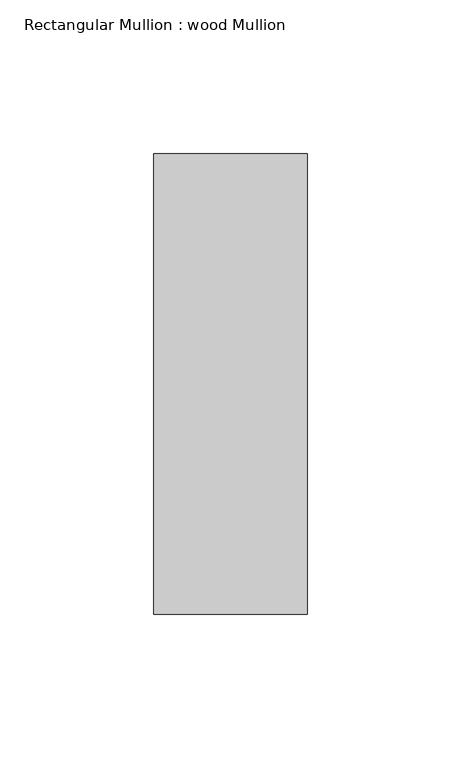
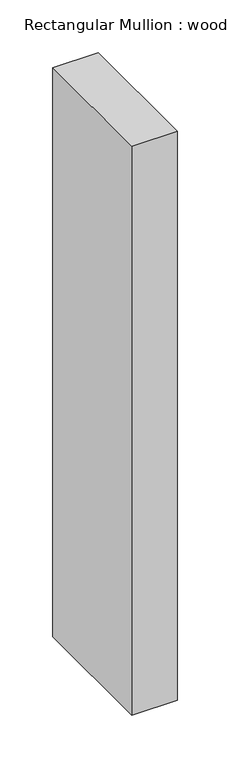
"""IFC4 building model written with IfcOpenShell, lengths in millimetres: member geometry, Rectangular Mullion : wood Mullion."""

import ifcopenshell
import ifcopenshell.guid

model = None  # the IFC model being written
_history = None  # IfcOwnerHistory: only IFC2X3 demands one
_inside = {}  # id of a spatial element -> (the spatial element, [elements in it])
_under = {}  # id of a project, library or spatial element -> (it, [spatial elements below it])
_declared = {}  # id of a project -> (the project, [libraries it declares])
_typed = {}  # id of a type object -> (the type object, [elements of that type])
_made_of = {}  # id of a material, layer set ... -> (it, [elements and type objects made of it])


def new_model(schema):
    """Start an empty IFC model of exactly this schema.

    Asked for "IFC4X3", IfcOpenShell would pick the latest addendum, in which some entities
    have other attributes; the version numbers below select the first issue.
    IFC2X3 requires an IfcOwnerHistory on every rooted entity: one is made here for all.
    """
    global model, _history
    if schema == "IFC4X3":
        model = ifcopenshell.file(schema_version=(4, 3, 0, 0))
    else:
        model = ifcopenshell.file(schema=schema)
    _inside.clear()
    _under.clear()
    _declared.clear()
    _typed.clear()
    _made_of.clear()
    _history = None
    if model.schema == "IFC2X3":
        org = make("IfcOrganization", Name="unknown")
        user = make(
            "IfcPersonAndOrganization",
            ThePerson=make("IfcPerson", FamilyName="unknown"),
            TheOrganization=org,
        )
        app = make(
            "IfcApplication",
            ApplicationDeveloper=org,
            Version="unknown",
            ApplicationFullName="unknown",
            ApplicationIdentifier="unknown",
        )
        _history = make(
            "IfcOwnerHistory",
            OwningUser=user,
            OwningApplication=app,
            ChangeAction="ADDED",
            CreationDate=0,
        )
    return model


def make(cls, **values):
    """One entity of the class cls with the attributes given. An attribute that is None is left unset."""
    return model.create_entity(
        cls, **{name: value for name, value in values.items() if value is not None}
    )


def rooted(cls, **values):
    """An entity with a GlobalId (a new one), such as an element, a storey or a relation."""
    return make(cls, GlobalId=ifcopenshell.guid.new(), OwnerHistory=_history, **values)


def si_unit(unit_type, name, prefix=None):
    """IfcSIUnit, for example si_unit("LENGTHUNIT", "METRE", prefix="MILLI")."""
    return make("IfcSIUnit", UnitType=unit_type, Prefix=prefix, Name=name)


def assignment(units):
    """IfcUnitAssignment: the units of a project."""
    return None if units is None else make("IfcUnitAssignment", Units=units)


def point(xyz):
    """IfcCartesianPoint."""
    return None if xyz is None else make("IfcCartesianPoint", Coordinates=xyz)


def direction(xyz):
    """IfcDirection."""
    return None if xyz is None else make("IfcDirection", DirectionRatios=xyz)


def frame(location, z_axis=None, x_axis=None):
    """IfcAxis2Placement3D, a coordinate frame: its origin and axes. An axis left out is left unset."""
    return make(
        "IfcAxis2Placement3D",
        Location=point(location),
        Axis=direction(z_axis),
        RefDirection=direction(x_axis),
    )


def origin():
    """The frame at (0, 0, 0) with its axes left unset."""
    return frame((0.0, 0.0, 0.0))


def place(relative_to, where):
    """IfcLocalPlacement: puts the frame where relative to a parent placement (None: the world)."""
    return make(
        "IfcLocalPlacement", PlacementRelTo=relative_to, RelativePlacement=where
    )


def context(
    kind, dimensions, precision=None, world=None, true_north=None, identifier=None
):
    """IfcGeometricRepresentationContext, for example the 3D "Model" context."""
    return make(
        "IfcGeometricRepresentationContext",
        ContextIdentifier=identifier,
        ContextType=kind,
        CoordinateSpaceDimension=dimensions,
        Precision=precision,
        WorldCoordinateSystem=world,
        TrueNorth=true_north,
    )


def project(units=None, contexts=None):
    """IfcProject with its units and contexts."""
    return rooted(
        "IfcProject",
        Name="project",
        RepresentationContexts=contexts,
        UnitsInContext=assignment(units),
    )


def spatial(cls, under=None, at=None, **own):
    """A site, building, storey or space (cls), placed at a placement, below another one or the project."""
    s = rooted(cls, ObjectPlacement=at, **own)
    if under is not None:
        _under.setdefault(under.id(), (under, []))[1].append(s)
    return s


def polyline(points):
    """IfcPolyline through the points."""
    return make("IfcPolyline", Points=[point(p) for p in points])


def outline(outer, holes=None, kind="AREA"):
    """IfcArbitraryClosedProfileDef: a profile drawn as a closed curve; with holes, ...WithVoids."""
    if holes is None:
        return make("IfcArbitraryClosedProfileDef", ProfileType=kind, OuterCurve=outer)
    return make(
        "IfcArbitraryProfileDefWithVoids",
        ProfileType=kind,
        OuterCurve=outer,
        InnerCurves=holes,
    )


def extrude(swept, where, along, depth):
    """IfcExtrudedAreaSolid: the profile swept, set in the frame where, extruded along a direction by depth."""
    return make(
        "IfcExtrudedAreaSolid",
        SweptArea=swept,
        Position=where,
        ExtrudedDirection=direction(along),
        Depth=depth,
    )


def shape(context_of_items, identifier, shape_type, items):
    """IfcShapeRepresentation: the items that make up one representation, for example the "Body"."""
    return make(
        "IfcShapeRepresentation",
        ContextOfItems=context_of_items,
        RepresentationIdentifier=identifier,
        RepresentationType=shape_type,
        Items=items,
    )


def source(mapping_origin, context_of_items, identifier, shape_type, items):
    """IfcRepresentationMap: a shape defined once, which mapped items show again and again."""
    return make(
        "IfcRepresentationMap",
        MappingOrigin=mapping_origin,
        MappedRepresentation=shape(context_of_items, identifier, shape_type, items),
    )


def transform(
    local_origin,
    x_axis=None,
    y_axis=None,
    z_axis=None,
    scale=None,
    scale2=None,
    scale3=None,
    uniform=True,
):
    """IfcCartesianTransformationOperator3D, or its non-uniform kind. x_axis, y_axis, z_axis: its Axis1, 2, 3."""
    if uniform:
        return make(
            "IfcCartesianTransformationOperator3D",
            Axis1=direction(x_axis),
            Axis2=direction(y_axis),
            LocalOrigin=point(local_origin),
            Scale=scale,
            Axis3=direction(z_axis),
        )
    return make(
        "IfcCartesianTransformationOperator3DnonUniform",
        Axis1=direction(x_axis),
        Axis2=direction(y_axis),
        LocalOrigin=point(local_origin),
        Scale=scale,
        Axis3=direction(z_axis),
        Scale2=scale2,
        Scale3=scale3,
    )


def mapped(mapping_source, mapping_target):
    """IfcMappedItem: shows the shape of a source again, moved by a transform."""
    return make(
        "IfcMappedItem", MappingSource=mapping_source, MappingTarget=mapping_target
    )


def made_of(thing, what):
    """Note that an element or type object is made of a material, layer set ...; save() writes the relation."""
    if what is not None:
        _made_of.setdefault(what.id(), (what, []))[1].append(thing)
    return thing


def element(
    cls,
    number,
    at=None,
    inside=None,
    cuts=None,
    type_object=None,
    material=None,
    context=None,
    identifier="Body",
    shape_type=None,
    held_by="IfcProductDefinitionShape",
    body=None,
    shapes=None,
    **own,
):
    """One element of the class cls, such as IfcWall. Its Tag is "e" and its number.

    at: its placement. inside: the storey or other place that contains it. cuts: it is an
    opening in that element (IfcRelVoidsElement). A single representation is given by context,
    identifier, shape_type and body (its items); several are given by shapes. held_by: the class
    of the entity that holds the representations. save() writes the other relations.
    """
    e = rooted(cls, Tag="e%d" % number, ObjectPlacement=at, **own)
    if body is not None:
        shapes = [shape(context, identifier, shape_type, body)]
    if shapes is not None:
        e.Representation = make(held_by, Representations=shapes)
    if inside is not None:
        _inside.setdefault(inside.id(), (inside, []))[1].append(e)
    if cuts is not None:
        rooted(
            "IfcRelVoidsElement", RelatingBuildingElement=cuts, RelatedOpeningElement=e
        )
    if type_object is not None:
        _typed.setdefault(type_object.id(), (type_object, []))[1].append(e)
    return made_of(e, material)


def aggregate(whole, parts):
    """IfcRelAggregates: a whole, such as a stair, and the parts it consists of."""
    return rooted("IfcRelAggregates", RelatingObject=whole, RelatedObjects=parts)


def save(model, path):
    """Write the relations noted so far, then the file.

    IfcRelAggregates (storeys below a building ...), IfcRelContainedInSpatialStructure (elements
    in a storey), IfcRelDefinesByType, IfcRelAssociatesMaterial and IfcRelDeclares: one each for
    every whole, place, type object, material and project.
    """
    for whole, parts in _under.values():
        aggregate(whole, parts)
    for where, things in _inside.values():
        rooted(
            "IfcRelContainedInSpatialStructure",
            RelatedElements=things,
            RelatingStructure=where,
        )
    for kind, things in _typed.values():
        rooted("IfcRelDefinesByType", RelatedObjects=things, RelatingType=kind)
    for what, things in _made_of.values():
        rooted("IfcRelAssociatesMaterial", RelatedObjects=things, RelatingMaterial=what)
    for by, libraries in _declared.values():
        rooted("IfcRelDeclares", RelatingContext=by, RelatedDefinitions=libraries)
    model.write(path)


def rectangular_mullion_wood_mullion_9b1193bb(model_context):
    return source(origin(), model_context, "Body", "SweptSolid", [
        extrude(outline(polyline([(25.0, 75.0), (25.0, -75.0), (-25.0, -75.0), (-25.0, 75.0), (25.0, 75.0)])), frame((0.0, 0.0, -660.3363703), z_axis=(0.0, 0.0, 1.0), x_axis=(1.0, 0.0, 0.0)), (0.0, 0.0, 1.0), 660.3363703),
    ])


if __name__ == "__main__":
    model = new_model("IFC4")
    model_context = context("Model", 3, world=origin())
    ifc_project = project(units=[si_unit("LENGTHUNIT", "METRE", prefix="MILLI")], contexts=[model_context])
    site = spatial("IfcSite", under=ifc_project)
    building = spatial("IfcBuilding", under=site)
    placement = place(None, origin())
    rectangular_mullion_wood_mullion_shape = rectangular_mullion_wood_mullion_9b1193bb(model_context)
    element("IfcMember", 1, ObjectType="Rectangular Mullion : wood Mullion", at=placement, inside=building, context=model_context, shape_type="MappedRepresentation", body=[
        mapped(rectangular_mullion_wood_mullion_shape, transform((0.0, 0.0, 0.0), x_axis=(1.0, 0.0, 0.0), y_axis=(0.0, 1.0, 0.0), z_axis=(0.0, 0.0, 1.0))),
    ])
    save(model, "model.ifc")
